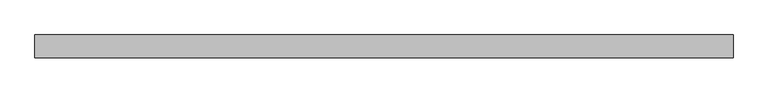
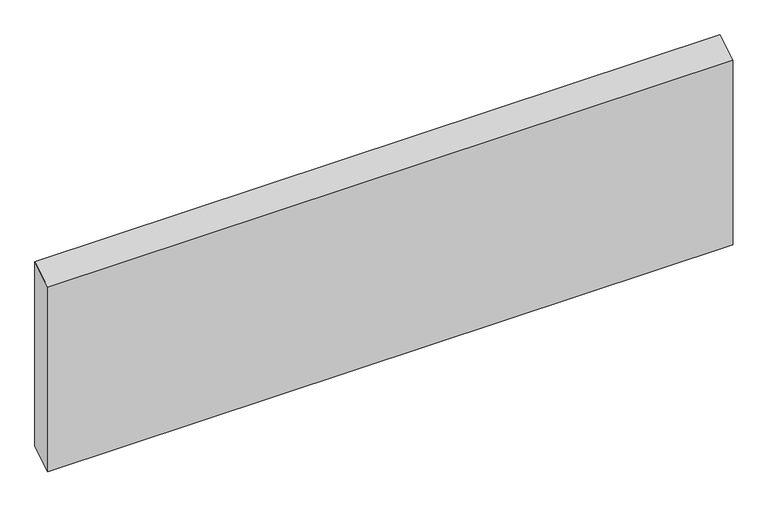
"""IFC4 building model written with IfcOpenShell, lengths in millimetres: beam geometry."""

from ifc_helpers import new_model, si_unit, frame, origin, place, context, project, spatial, polyline, outline, extrude, source, transform, mapped, element, save


def beam_5ca31272(model_context):
    return source(origin(), model_context, "Body", "SweptSolid", [
        extrude(outline(polyline([(19.05, 176.5194112), (19.05, -154.2944112), (-19.05, -176.5194112), (-19.05, 154.2944112), (19.05, 176.5194112)])), frame((-581.025, 0.0, 0.0), z_axis=(1.0, 0.0, 0.0), x_axis=(0.0, 1.0, 0.0)), (0.0, 0.0, 1.0), 1162.05),
    ])


if __name__ == "__main__":
    model = new_model("IFC4")
    model_context = context("Model", 3, world=origin())
    ifc_project = project(units=[si_unit("LENGTHUNIT", "METRE", prefix="MILLI")], contexts=[model_context])
    site = spatial("IfcSite", under=ifc_project)
    building = spatial("IfcBuilding", under=site)
    placement = place(None, origin())
    beam_shape = beam_5ca31272(model_context)
    element("IfcBeam", 1, at=placement, inside=building, context=model_context, shape_type="MappedRepresentation", body=[
        mapped(beam_shape, transform((0.0, 0.0, 0.0), x_axis=(1.0, 0.0, 0.0), y_axis=(0.0, 1.0, 0.0), z_axis=(0.0, 0.0, 1.0))),
    ])
    save(model, "model.ifc")
